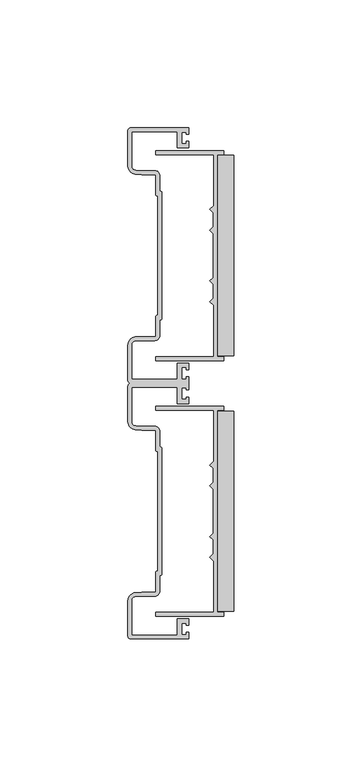
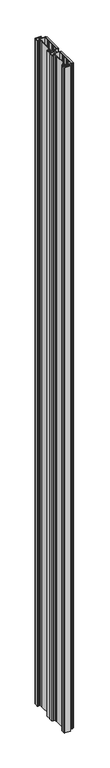
"""IFC4 building model written with IfcOpenShell, lengths in millimetres: proxy geometry."""

from ifc_helpers import new_model, si_unit, frame, origin, origin_with_axes, place, context, project, spatial, polyline, circle_curve, outline, extrude, faceted_brep, source, transform, mapped, element, save
from ifc_brep_helpers import plane_surface, cylinder_surface, revolved_surface, advanced_brep


def specialty_equipment_c0fda36b(model_context):
    return source(origin(), model_context, "Body", "SolidModel", [
        faceted_brep([(13.6393292, 91.0653535, 2743.2), (-13.0348006, 91.0653535, 2743.2), (-13.0348006, 89.5413459, 2743.2), (9.5712006, 89.5413459, 2743.2), (9.5712006, 69.5324019, 2743.2), (8.1107021, 68.0718984, 2743.2), (9.4442006, 66.7384, 2743.2), (9.4442006, 61.2774007, 2743.2), (8.1106995, 59.9438997, 2743.2), (9.4442006, 58.6103987, 2743.2), (9.4442006, 41.4021013, 2743.2), (8.1106995, 40.0686003, 2743.2), (9.4442006, 38.7350993, 2743.2), (9.4442006, 33.2741, 2743.2), (8.1107021, 31.9406016, 2743.2), (9.5712006, 30.4800981, 2743.2), (9.5712006, 10.4711541, 2743.2), (-13.0348006, 10.4711541, 2743.2), (-13.0348006, 8.9471465, 2743.2), (13.6393292, 8.9471465, 2743.2), (13.6393292, 10.4711541, 2743.2), (11.0952006, 10.4711541, 2743.2), (11.0952006, 89.5413459, 2743.2), (13.6393292, 89.5413459, 2743.2), (13.6393292, 91.0653535, 0.0), (13.6393292, 89.5413459, 0.0), (11.0952006, 89.5413459, 0.0), (11.0952006, 10.4711541, 0.0), (13.6393292, 10.4711541, 0.0), (13.6393292, 8.9471465, 0.0), (-13.0348006, 8.9471465, 0.0), (-13.0348006, 10.4711541, 0.0), (9.5712006, 10.4711541, 0.0), (9.5712006, 30.4800981, 0.0), (8.1107021, 31.9406016, 0.0), (9.4442006, 33.2741, 0.0), (9.4442006, 38.7350993, 0.0), (8.1106995, 40.0686003, 0.0), (9.4442006, 41.4021013, 0.0), (9.4442006, 58.6103987, 0.0), (8.1106995, 59.9438997, 0.0), (9.4442006, 61.2774007, 0.0), (9.4442006, 66.7384, 0.0), (8.1107021, 68.0718984, 0.0), (9.5712006, 69.5324019, 0.0), (9.5712006, 89.5413459, 0.0), (-13.0348006, 89.5413459, 0.0), (-13.0348006, 91.0653535, 0.0)], [[[0, 1, 2, 3, 4, 5, 6, 7, 8, 9, 10, 11, 12, 13, 14, 15, 16, 17, 18, 19, 20, 21, 22, 23]], [[24, 25, 26, 27, 28, 29, 30, 31, 32, 33, 34, 35, 36, 37, 38, 39, 40, 41, 42, 43, 44, 45, 46, 47]], [[23, 22, 26, 25]], [[0, 23, 25, 24]], [[1, 0, 24, 47]], [[2, 1, 47, 46]], [[3, 2, 46, 45]], [[4, 3, 45, 44]], [[5, 4, 44, 43]], [[6, 5, 43, 42]], [[7, 6, 42, 41]], [[8, 7, 41, 40]], [[9, 8, 40, 39]], [[10, 9, 39, 38]], [[11, 10, 38, 37]], [[12, 11, 37, 36]], [[13, 12, 36, 35]], [[14, 13, 35, 34]], [[15, 14, 34, 33]], [[16, 15, 33, 32]], [[17, 16, 32, 31]], [[18, 17, 31, 30]], [[19, 18, 30, 29]], [[20, 19, 29, 28]], [[21, 20, 28, 27]], [[22, 21, 27, 26]]]),
        advanced_brep(
        [(-22.7330004, 100.0125, 2743.2), (-24.0029992, 98.7425012, 2743.2), (-24.0029992, 85.0231533, 2743.2), (-20.9941667, 81.8524984, 2743.2), (-18.5165995, 81.7243994, 2743.2), (-13.0047993, 81.7243994, 2743.2), (-13.0047993, 73.8884996, 2743.2), (-12.2428, 73.5074999, 2743.2), (-12.2428, 26.5050001, 2743.2), (-13.0047993, 26.1240004, 2743.2), (-13.0047993, 18.2881006, 2743.2), (-18.5165995, 18.2881006, 2743.2), (-20.9941667, 18.1600016, 2743.2), (-24.0029992, 14.9893467, 2743.2), (-24.0029992, 1.2699988, 2743.2), (-22.7330004, 0.0, 2743.2), (-24.0029992, -1.2699988, 2743.2), (-24.0029992, -14.9893467, 2743.2), (-20.9941667, -18.1600016, 2743.2), (-18.5165995, -18.2881006, 2743.2), (-13.0047993, -18.2881006, 2743.2), (-13.0047993, -26.1240004, 2743.2), (-12.2428, -26.5050001, 2743.2), (-12.2428, -73.5074999, 2743.2), (-13.0047993, -73.8884996, 2743.2), (-13.0047993, -81.7243994, 2743.2), (-18.5165995, -81.7243994, 2743.2), (-20.9941667, -81.8524984, 2743.2), (-24.0029992, -85.0231533, 2743.2), (-24.0029992, -98.7425012, 2743.2), (-22.7330004, -100.0125, 2743.2), (-0.1904992, -100.0125, 2743.2), (-0.1904992, -97.4725024, 2743.2), (-1.1647474, -97.4725024, 2743.2), (-1.1647474, -98.3615016, 2743.2), (-2.9845, -98.3615016, 2743.2), (-2.9845, -93.7929699, 2743.2), (-1.1647474, -93.7929699, 2743.2), (-1.1647474, -94.681969, 2743.2), (-0.1904992, -94.681969, 2743.2), (-0.1904992, -92.1384984, 2743.2), (-4.6354995, -92.1384984, 2743.2), (-4.6354995, -98.4885015, 2743.2), (-22.4790007, -98.4885015, 2743.2), (-22.4790007, -85.0231437, 2743.2), (-20.9144069, -83.3744076, 2743.2), (-18.5099479, -83.2483979, 2743.2), (-13.3857989, -83.2483979, 2743.2), (-11.4807988, -81.3433978, 2743.2), (-11.4807985, -75.0314985, 2743.2), (-10.7187992, -74.6504988, 2743.2), (-10.7187992, -25.3620012, 2743.2), (-11.4807985, -24.9810015, 2743.2), (-11.4807985, -18.6691022, 2743.2), (-13.3857989, -16.7641021, 2743.2), (-18.5099479, -16.7641021, 2743.2), (-20.9144069, -16.6380924, 2743.2), (-22.4790007, -14.9893563, 2743.2), (-22.4790007, -1.5239985, 2743.2), (-4.6354995, -1.5239985, 2743.2), (-4.6354995, -7.8740016, 2743.2), (-0.1904992, -7.8740016, 2743.2), (-0.1904992, -5.330531, 2743.2), (-1.1647474, -5.330531, 2743.2), (-1.1647474, -6.2195301, 2743.2), (-2.9845, -6.2195301, 2743.2), (-2.9845, -1.6509984, 2743.2), (-1.1647474, -1.6509984, 2743.2), (-1.1647474, -2.5399976, 2743.2), (-0.1904992, -2.5399976, 2743.2), (-0.1904992, 2.5399976, 2743.2), (-1.1647474, 2.5399976, 2743.2), (-1.1647474, 1.6509984, 2743.2), (-2.9845, 1.6509984, 2743.2), (-2.9845, 6.2195301, 2743.2), (-1.1647474, 6.2195301, 2743.2), (-1.1647474, 5.330531, 2743.2), (-0.1904992, 5.330531, 2743.2), (-0.1904992, 7.8740016, 2743.2), (-4.6354995, 7.8740016, 2743.2), (-4.6354995, 1.5239985, 2743.2), (-22.4790007, 1.5239985, 2743.2), (-22.4790007, 14.9893563, 2743.2), (-20.9144069, 16.6380924, 2743.2), (-18.5099479, 16.7641021, 2743.2), (-13.3857989, 16.7641021, 2743.2), (-11.4807988, 18.6691022, 2743.2), (-11.4807985, 24.9810015, 2743.2), (-10.7187992, 25.3620012, 2743.2), (-10.7187992, 74.6504988, 2743.2), (-11.4807985, 75.0314985, 2743.2), (-11.4807985, 81.3433978, 2743.2), (-13.3857989, 83.2483979, 2743.2), (-18.5099479, 83.2483979, 2743.2), (-20.9144069, 83.3744076, 2743.2), (-22.4790007, 85.0231437, 2743.2), (-22.4790007, 98.4885015, 2743.2), (-4.6354995, 98.4885015, 2743.2), (-4.6354995, 92.1384984, 2743.2), (-0.1904992, 92.1384984, 2743.2), (-0.1904992, 94.681969, 2743.2), (-1.1647474, 94.681969, 2743.2), (-1.1647474, 93.7929699, 2743.2), (-2.9845, 93.7929699, 2743.2), (-2.9845, 98.3615016, 2743.2), (-1.1647474, 98.3615016, 2743.2), (-1.1647474, 97.4725024, 2743.2), (-0.1904992, 97.4725024, 2743.2), (-0.1904992, 100.0125, 2743.2), (-22.7330004, 100.0125, 0.0), (-0.1904992, 100.0125, 0.0), (-0.1904992, 97.4725024, 0.0), (-1.1647474, 97.4725024, 0.0), (-1.1647474, 98.3615016, 0.0), (-2.9845, 98.3615016, 0.0), (-2.9845, 93.7929699, 0.0), (-1.1647474, 93.7929699, 0.0), (-1.1647474, 94.681969, 0.0), (-0.1904992, 94.681969, 0.0), (-0.1904992, 92.1384984, 0.0), (-4.6354995, 92.1384984, 0.0), (-4.6354995, 98.4885015, 0.0), (-22.4790007, 98.4885015, 0.0), (-22.4790007, 85.0231437, 0.0), (-20.9144069, 83.3744076, 0.0), (-18.5099479, 83.2483979, 0.0), (-13.3857989, 83.2483979, 0.0), (-11.4807988, 81.3433978, 0.0), (-11.4807985, 75.0314985, 0.0), (-10.7187992, 74.6504988, 0.0), (-10.7187992, 25.3620012, 0.0), (-11.4807985, 24.9810015, 0.0), (-11.4807985, 18.6691022, 0.0), (-13.3857989, 16.7641021, 0.0), (-18.5099479, 16.7641021, 0.0), (-20.9144069, 16.6380924, 0.0), (-22.4790007, 14.9893563, 0.0), (-22.4790007, 1.5239985, 0.0), (-4.6354995, 1.5239985, 0.0), (-4.6354995, 7.8740016, 0.0), (-0.1904992, 7.8740016, 0.0), (-0.1904992, 5.330531, 0.0), (-1.1647474, 5.330531, 0.0), (-1.1647474, 6.2195301, 0.0), (-2.9845, 6.2195301, 0.0), (-2.9845, 1.6509984, 0.0), (-1.1647474, 1.6509984, 0.0), (-1.1647474, 2.5399976, 0.0), (-0.1904992, 2.5399976, 0.0), (-0.1904992, -2.5399976, 0.0), (-1.1647474, -2.5399976, 0.0), (-1.1647474, -1.6509984, 0.0), (-2.9845, -1.6509984, 0.0), (-2.9845, -6.2195301, 0.0), (-1.1647474, -6.2195301, 0.0), (-1.1647474, -5.330531, 0.0), (-0.1904992, -5.330531, 0.0), (-0.1904992, -7.8740016, 0.0), (-4.6354995, -7.8740016, 0.0), (-4.6354995, -1.5239985, 0.0), (-22.4790007, -1.5239985, 0.0), (-22.4790007, -14.9893563, 0.0), (-20.9144069, -16.6380924, 0.0), (-18.5099479, -16.7641021, 0.0), (-13.3857989, -16.7641021, 0.0), (-11.4807988, -18.6691022, 0.0), (-11.4807985, -24.9810015, 0.0), (-10.7187992, -25.3620012, 0.0), (-10.7187992, -74.6504988, 0.0), (-11.4807985, -75.0314985, 0.0), (-11.4807985, -81.3433978, 0.0), (-13.3857989, -83.2483979, 0.0), (-18.5099479, -83.2483979, 0.0), (-20.9144069, -83.3744076, 0.0), (-22.4790007, -85.0231437, 0.0), (-22.4790007, -98.4885015, 0.0), (-4.6354995, -98.4885015, 0.0), (-4.6354995, -92.1384984, 0.0), (-0.1904992, -92.1384984, 0.0), (-0.1904992, -94.681969, 0.0), (-1.1647474, -94.681969, 0.0), (-1.1647474, -93.7929699, 0.0), (-2.9845, -93.7929699, 0.0), (-2.9845, -98.3615016, 0.0), (-1.1647474, -98.3615016, 0.0), (-1.1647474, -97.4725024, 0.0), (-0.1904992, -97.4725024, 0.0), (-0.1904992, -100.0125, 0.0), (-22.7330004, -100.0125, 0.0), (-24.0029992, -98.7425012, 0.0), (-24.0029992, -85.0231533, 0.0), (-20.9941667, -81.8524984, 0.0), (-18.5165995, -81.7243994, 0.0), (-13.0047993, -81.7243994, 0.0), (-13.0047993, -73.8884996, 0.0), (-12.2428, -73.5074999, 0.0), (-12.2428, -26.5050001, 0.0), (-13.0047993, -26.1240004, 0.0), (-13.0047993, -18.2881006, 0.0), (-18.5165995, -18.2881006, 0.0), (-20.9941667, -18.1600016, 0.0), (-24.0029992, -14.9893467, 0.0), (-24.0029992, -1.2699988, 0.0), (-22.7330004, 0.0, 0.0), (-24.0029992, 1.2699988, 0.0), (-24.0029992, 14.9893467, 0.0), (-20.9941667, 18.1600016, 0.0), (-18.5165995, 18.2881006, 0.0), (-13.0047993, 18.2881006, 0.0), (-13.0047993, 26.1240004, 0.0), (-12.2428, 26.5050001, 0.0), (-12.2428, 73.5074999, 0.0), (-13.0047993, 73.8884996, 0.0), (-13.0047993, 81.7243994, 0.0), (-18.5165995, 81.7243994, 0.0), (-20.9941667, 81.8524984, 0.0), (-24.0029992, 85.0231533, 0.0), (-24.0029992, 98.7425012, 0.0)],
        [
            (0, 1, circle_curve(frame((-22.7330004, 98.7425012, 2743.2), z_axis=(0.0, 0.0, 1.0), x_axis=(0.0, -1.0, 0.0)), 1.2699988)),
            (1, 2),
            (2, 3, circle_curve(frame((-20.721501, 85.12421, 2743.2), z_axis=(0.0, 0.0, 1.0), x_axis=(0.0, -1.0, 0.0)), 3.283054)),
            (3, 4),
            (4, 5),
            (5, 6),
            (6, 7, circle_curve(frame((-12.5285497, 73.8884996, 2743.2), z_axis=(0.0, 0.0, 1.0), x_axis=(0.0, -1.0, 0.0)), 0.4762495)),
            (7, 8),
            (8, 9, circle_curve(frame((-12.5285497, 26.1240004, 2743.2), z_axis=(0.0, 0.0, 1.0), x_axis=(0.0, -1.0, 0.0)), 0.4762495)),
            (9, 10),
            (10, 11),
            (11, 12),
            (12, 13, circle_curve(frame((-20.721501, 14.88829, 2743.2), z_axis=(0.0, 0.0, 1.0), x_axis=(0.0, -1.0, 0.0)), 3.283054)),
            (13, 14),
            (14, 15, circle_curve(frame((-22.7330004, 1.2699988, 2743.2), z_axis=(0.0, 0.0, 1.0), x_axis=(0.0, -1.0, 0.0)), 1.2699988)),
            (15, 16, circle_curve(frame((-22.7330004, -1.2699988, 2743.2), z_axis=(0.0, 0.0, 1.0), x_axis=(0.0, -1.0, 0.0)), 1.2699988)),
            (16, 17),
            (17, 18, circle_curve(frame((-20.721501, -14.88829, 2743.2), z_axis=(0.0, 0.0, 1.0), x_axis=(0.0, -1.0, 0.0)), 3.283054)),
            (18, 19),
            (19, 20),
            (20, 21),
            (21, 22, circle_curve(frame((-12.5285497, -26.1240004, 2743.2), z_axis=(0.0, 0.0, 1.0), x_axis=(0.0, -1.0, 0.0)), 0.4762495)),
            (22, 23),
            (23, 24, circle_curve(frame((-12.5285497, -73.8884996, 2743.2), z_axis=(0.0, 0.0, 1.0), x_axis=(0.0, -1.0, 0.0)), 0.4762495)),
            (24, 25),
            (25, 26),
            (26, 27),
            (27, 28, circle_curve(frame((-20.721501, -85.12421, 2743.2), z_axis=(0.0, 0.0, 1.0), x_axis=(0.0, -1.0, 0.0)), 3.283054)),
            (28, 29),
            (29, 30, circle_curve(frame((-22.7330004, -98.7425012, 2743.2), z_axis=(0.0, 0.0, 1.0), x_axis=(0.0, -1.0, 0.0)), 1.2699988)),
            (30, 31),
            (31, 32),
            (32, 33),
            (33, 34),
            (34, 35),
            (35, 36),
            (36, 37),
            (37, 38),
            (38, 39),
            (39, 40),
            (40, 41),
            (41, 42),
            (42, 43),
            (43, 44),
            (44, 45, circle_curve(frame((-20.8280021, -85.0231437, 2743.2), z_axis=(0.0, 0.0, -1.0), x_axis=(0.0, -1.0, 0.0)), 1.6509986)),
            (45, 46),
            (46, 47),
            (47, 48, circle_curve(frame((-13.3857989, -81.3433978, 2743.2), z_axis=(0.0, 0.0, 1.0), x_axis=(0.0, -1.0, 0.0)), 1.9050001)),
            (48, 49),
            (49, 50, circle_curve(frame((-11.1950487, -74.6504988, 2743.2), z_axis=(0.0, 0.0, 1.0), x_axis=(0.0, -1.0, 0.0)), 0.4762495)),
            (50, 51),
            (51, 52, circle_curve(frame((-11.1950487, -25.3620012, 2743.2), z_axis=(0.0, 0.0, 1.0), x_axis=(0.0, -1.0, 0.0)), 0.4762495)),
            (52, 53),
            (53, 54, circle_curve(frame((-13.3857989, -18.6691022, 2743.2), z_axis=(0.0, 0.0, 1.0), x_axis=(0.0, -1.0, 0.0)), 1.9050001)),
            (54, 55),
            (55, 56),
            (56, 57, circle_curve(frame((-20.8280021, -14.9893563, 2743.2), z_axis=(0.0, 0.0, -1.0), x_axis=(0.0, -1.0, 0.0)), 1.6509986)),
            (57, 58),
            (58, 59),
            (59, 60),
            (60, 61),
            (61, 62),
            (62, 63),
            (63, 64),
            (64, 65),
            (65, 66),
            (66, 67),
            (67, 68),
            (68, 69),
            (69, 70),
            (70, 71),
            (71, 72),
            (72, 73),
            (73, 74),
            (74, 75),
            (75, 76),
            (76, 77),
            (77, 78),
            (78, 79),
            (79, 80),
            (80, 81),
            (81, 82),
            (82, 83, circle_curve(frame((-20.8280021, 14.9893563, 2743.2), z_axis=(0.0, 0.0, -1.0), x_axis=(0.0, -1.0, 0.0)), 1.6509986)),
            (83, 84),
            (84, 85),
            (85, 86, circle_curve(frame((-13.3857989, 18.6691022, 2743.2), z_axis=(0.0, 0.0, 1.0), x_axis=(0.0, -1.0, 0.0)), 1.9050001)),
            (86, 87),
            (87, 88, circle_curve(frame((-11.1950487, 25.3620012, 2743.2), z_axis=(0.0, 0.0, 1.0), x_axis=(0.0, -1.0, 0.0)), 0.4762495)),
            (88, 89),
            (89, 90, circle_curve(frame((-11.1950487, 74.6504988, 2743.2), z_axis=(0.0, 0.0, 1.0), x_axis=(0.0, -1.0, 0.0)), 0.4762495)),
            (90, 91),
            (91, 92, circle_curve(frame((-13.3857989, 81.3433978, 2743.2), z_axis=(0.0, 0.0, 1.0), x_axis=(0.0, -1.0, 0.0)), 1.9050001)),
            (92, 93),
            (93, 94),
            (94, 95, circle_curve(frame((-20.8280021, 85.0231437, 2743.2), z_axis=(0.0, 0.0, -1.0), x_axis=(0.0, -1.0, 0.0)), 1.6509986)),
            (95, 96),
            (96, 97),
            (97, 98),
            (98, 99),
            (99, 100),
            (100, 101),
            (101, 102),
            (102, 103),
            (103, 104),
            (104, 105),
            (105, 106),
            (106, 107),
            (107, 108),
            (108, 0),
            (109, 110),
            (110, 111),
            (111, 112),
            (112, 113),
            (113, 114),
            (114, 115),
            (115, 116),
            (116, 117),
            (117, 118),
            (118, 119),
            (119, 120),
            (120, 121),
            (121, 122),
            (122, 123),
            (123, 124, circle_curve(frame((-20.8280021, 85.0231437, 0.0), z_axis=(0.0, 0.0, 1.0), x_axis=(0.0, -1.0, 0.0)), 1.6509986)),
            (124, 125),
            (125, 126),
            (126, 127, circle_curve(frame((-13.3857989, 81.3433978, 0.0), z_axis=(0.0, 0.0, -1.0), x_axis=(0.0, -1.0, 0.0)), 1.9050001)),
            (127, 128),
            (128, 129, circle_curve(frame((-11.1950487, 74.6504988, 0.0), z_axis=(0.0, 0.0, -1.0), x_axis=(0.0, -1.0, 0.0)), 0.4762495)),
            (129, 130),
            (130, 131, circle_curve(frame((-11.1950487, 25.3620012, 0.0), z_axis=(0.0, 0.0, -1.0), x_axis=(0.0, -1.0, 0.0)), 0.4762495)),
            (131, 132),
            (132, 133, circle_curve(frame((-13.3857989, 18.6691022, 0.0), z_axis=(0.0, 0.0, -1.0), x_axis=(0.0, -1.0, 0.0)), 1.9050001)),
            (133, 134),
            (134, 135),
            (135, 136, circle_curve(frame((-20.8280021, 14.9893563, 0.0), z_axis=(0.0, 0.0, 1.0), x_axis=(0.0, -1.0, 0.0)), 1.6509986)),
            (136, 137),
            (137, 138),
            (138, 139),
            (139, 140),
            (140, 141),
            (141, 142),
            (142, 143),
            (143, 144),
            (144, 145),
            (145, 146),
            (146, 147),
            (147, 148),
            (148, 149),
            (149, 150),
            (150, 151),
            (151, 152),
            (152, 153),
            (153, 154),
            (154, 155),
            (155, 156),
            (156, 157),
            (157, 158),
            (158, 159),
            (159, 160),
            (160, 161),
            (161, 162, circle_curve(frame((-20.8280021, -14.9893563, 0.0), z_axis=(0.0, 0.0, 1.0), x_axis=(0.0, -1.0, 0.0)), 1.6509986)),
            (162, 163),
            (163, 164),
            (164, 165, circle_curve(frame((-13.3857989, -18.6691022, 0.0), z_axis=(0.0, 0.0, -1.0), x_axis=(0.0, -1.0, 0.0)), 1.9050001)),
            (165, 166),
            (166, 167, circle_curve(frame((-11.1950487, -25.3620012, 0.0), z_axis=(0.0, 0.0, -1.0), x_axis=(0.0, -1.0, 0.0)), 0.4762495)),
            (167, 168),
            (168, 169, circle_curve(frame((-11.1950487, -74.6504988, 0.0), z_axis=(0.0, 0.0, -1.0), x_axis=(0.0, -1.0, 0.0)), 0.4762495)),
            (169, 170),
            (170, 171, circle_curve(frame((-13.3857989, -81.3433978, 0.0), z_axis=(0.0, 0.0, -1.0), x_axis=(0.0, -1.0, 0.0)), 1.9050001)),
            (171, 172),
            (172, 173),
            (173, 174, circle_curve(frame((-20.8280021, -85.0231437, 0.0), z_axis=(0.0, 0.0, 1.0), x_axis=(0.0, -1.0, 0.0)), 1.6509986)),
            (174, 175),
            (175, 176),
            (176, 177),
            (177, 178),
            (178, 179),
            (179, 180),
            (180, 181),
            (181, 182),
            (182, 183),
            (183, 184),
            (184, 185),
            (185, 186),
            (186, 187),
            (187, 188),
            (188, 189, circle_curve(frame((-22.7330004, -98.7425012, 0.0), z_axis=(0.0, 0.0, -1.0), x_axis=(0.0, -1.0, 0.0)), 1.2699988)),
            (189, 190),
            (190, 191, circle_curve(frame((-20.721501, -85.12421, 0.0), z_axis=(0.0, 0.0, -1.0), x_axis=(0.0, -1.0, 0.0)), 3.283054)),
            (191, 192),
            (192, 193),
            (193, 194),
            (194, 195, circle_curve(frame((-12.5285497, -73.8884996, 0.0), z_axis=(0.0, 0.0, -1.0), x_axis=(0.0, -1.0, 0.0)), 0.4762495)),
            (195, 196),
            (196, 197, circle_curve(frame((-12.5285497, -26.1240004, 0.0), z_axis=(0.0, 0.0, -1.0), x_axis=(0.0, -1.0, 0.0)), 0.4762495)),
            (197, 198),
            (198, 199),
            (199, 200),
            (200, 201, circle_curve(frame((-20.721501, -14.88829, 0.0), z_axis=(0.0, 0.0, -1.0), x_axis=(0.0, -1.0, 0.0)), 3.283054)),
            (201, 202),
            (202, 203, circle_curve(frame((-22.7330004, -1.2699988, 0.0), z_axis=(0.0, 0.0, -1.0), x_axis=(0.0, -1.0, 0.0)), 1.2699988)),
            (203, 204, circle_curve(frame((-22.7330004, 1.2699988, 0.0), z_axis=(0.0, 0.0, -1.0), x_axis=(0.0, -1.0, 0.0)), 1.2699988)),
            (204, 205),
            (205, 206, circle_curve(frame((-20.721501, 14.88829, 0.0), z_axis=(0.0, 0.0, -1.0), x_axis=(0.0, -1.0, 0.0)), 3.283054)),
            (206, 207),
            (207, 208),
            (208, 209),
            (209, 210, circle_curve(frame((-12.5285497, 26.1240004, 0.0), z_axis=(0.0, 0.0, -1.0), x_axis=(0.0, -1.0, 0.0)), 0.4762495)),
            (210, 211),
            (211, 212, circle_curve(frame((-12.5285497, 73.8884996, 0.0), z_axis=(0.0, 0.0, -1.0), x_axis=(0.0, -1.0, 0.0)), 0.4762495)),
            (212, 213),
            (213, 214),
            (214, 215),
            (215, 216, circle_curve(frame((-20.721501, 85.12421, 0.0), z_axis=(0.0, 0.0, -1.0), x_axis=(0.0, -1.0, 0.0)), 3.283054)),
            (216, 217),
            (217, 109, circle_curve(frame((-22.7330004, 98.7425012, 0.0), z_axis=(0.0, 0.0, -1.0), x_axis=(0.0, -1.0, 0.0)), 1.2699988)),
            (1, 217),
            (216, 2),
            (108, 110),
            (109, 0),
            (215, 3),
            (214, 4),
            (213, 5),
            (212, 6),
            (211, 7),
            (210, 8),
            (209, 9),
            (208, 10),
            (207, 11),
            (206, 12),
            (205, 13),
            (204, 14),
            (203, 15),
            (69, 149),
            (148, 70),
            (147, 71),
            (146, 72),
            (145, 73),
            (144, 74),
            (143, 75),
            (142, 76),
            (141, 77),
            (140, 78),
            (139, 79),
            (138, 80),
            (137, 81),
            (136, 82),
            (135, 83),
            (134, 84),
            (133, 85),
            (132, 86),
            (131, 87),
            (130, 88),
            (129, 89),
            (128, 90),
            (127, 91),
            (126, 92),
            (125, 93),
            (124, 94),
            (123, 95),
            (122, 96),
            (121, 97),
            (120, 98),
            (119, 99),
            (118, 100),
            (117, 101),
            (116, 102),
            (115, 103),
            (114, 104),
            (113, 105),
            (112, 106),
            (111, 107),
            (202, 16),
            (201, 17),
            (200, 18),
            (199, 19),
            (198, 20),
            (197, 21),
            (196, 22),
            (195, 23),
            (194, 24),
            (193, 25),
            (192, 26),
            (191, 27),
            (190, 28),
            (189, 29),
            (188, 30),
            (187, 31),
            (186, 32),
            (185, 33),
            (184, 34),
            (183, 35),
            (182, 36),
            (181, 37),
            (180, 38),
            (179, 39),
            (178, 40),
            (177, 41),
            (176, 42),
            (175, 43),
            (174, 44),
            (173, 45),
            (172, 46),
            (171, 47),
            (170, 48),
            (169, 49),
            (168, 50),
            (167, 51),
            (166, 52),
            (165, 53),
            (164, 54),
            (163, 55),
            (162, 56),
            (161, 57),
            (160, 58),
            (159, 59),
            (158, 60),
            (157, 61),
            (156, 62),
            (155, 63),
            (154, 64),
            (153, 65),
            (152, 66),
            (151, 67),
            (150, 68),
        ],
        [
            plane_surface(frame((0.0, 50.00625, 2743.2), z_axis=(0.0, 0.0, 1.0), x_axis=(0.0, -1.0, 0.0))),
            plane_surface(frame((0.0, 50.00625, 0.0), z_axis=(0.0, 0.0, -1.0), x_axis=(0.0, -1.0, 0.0))),
            plane_surface(frame((-24.0029992, 98.7425012, 2743.2), z_axis=(-1.0, 0.0, 0.0), x_axis=(0.0, 0.0, -1.0))),
            plane_surface(frame((-0.1904992, 100.0125, 2743.2), z_axis=(0.0, 1.0, 0.0), x_axis=(0.0, 0.0, -1.0))),
            cylinder_surface(frame((-22.7330004, 98.7425012, 2743.2), z_axis=(0.0, 0.0, 1.0), x_axis=(0.0, -1.0, 0.0)), 1.2699988),
            cylinder_surface(frame((-20.721501, 85.12421, 2743.2), z_axis=(0.0, 0.0, 1.0), x_axis=(0.0, -1.0, 0.0)), 3.283054),
            plane_surface(frame((-20.9941667, 81.8524984, 2743.2), z_axis=(-0.05163457587428459, -0.9986660455699307, 0.0), x_axis=(0.0, 0.0, -1.0))),
            plane_surface(frame((-18.5165995, 81.7243994, 2743.2), z_axis=(0.0, -1.0, 0.0), x_axis=(0.0, 0.0, -1.0))),
            plane_surface(frame((-13.0047993, 81.7243994, 2743.2), z_axis=(-1.0, 0.0, 0.0), x_axis=(0.0, 0.0, -1.0))),
            cylinder_surface(frame((-12.5285497, 73.8884996, 2743.2), z_axis=(0.0, 0.0, 1.0), x_axis=(0.0, -1.0, 0.0)), 0.4762495),
            plane_surface(frame((-12.2428, 73.5074999, 2743.2), z_axis=(-1.0, 0.0, 0.0), x_axis=(0.0, 0.0, -1.0))),
            cylinder_surface(frame((-12.5285497, 26.1240004, 2743.2), z_axis=(0.0, 0.0, 1.0), x_axis=(0.0, -1.0, 0.0)), 0.4762495),
            plane_surface(frame((-13.0047993, 26.1240004, 2743.2), z_axis=(-1.0, 0.0, 0.0), x_axis=(0.0, 0.0, -1.0))),
            plane_surface(frame((-13.0047993, 18.2881006, 2743.2), z_axis=(0.0, 1.0, 0.0), x_axis=(0.0, 0.0, -1.0))),
            plane_surface(frame((-18.5165995, 18.2881006, 2743.2), z_axis=(-0.05163457587428459, 0.9986660455699307, 0.0), x_axis=(0.0, 0.0, -1.0))),
            cylinder_surface(frame((-20.721501, 14.88829, 2743.2), z_axis=(0.0, 0.0, 1.0), x_axis=(0.0, -1.0, 0.0)), 3.283054),
            plane_surface(frame((-24.0029992, 14.9893467, 2743.2), z_axis=(-1.0, 0.0, 0.0), x_axis=(0.0, 0.0, -1.0))),
            cylinder_surface(frame((-22.7330004, 1.2699988, 2743.2), z_axis=(0.0, 0.0, 1.0), x_axis=(0.0, -1.0, 0.0)), 1.2699988),
            plane_surface(frame((-0.1904992, 0.0, 2743.2), z_axis=(1.0, 0.0, 0.0), x_axis=(0.0, 0.0, -1.0))),
            plane_surface(frame((-0.1904992, 2.5399976, 2743.2), z_axis=(0.0, 1.0, 0.0), x_axis=(0.0, 0.0, -1.0))),
            plane_surface(frame((-1.1647474, 2.5399976, 2743.2), z_axis=(-1.0, 0.0, 0.0), x_axis=(0.0, 0.0, -1.0))),
            plane_surface(frame((-1.1647474, 1.6509984, 2743.2), z_axis=(0.0, 1.0, 0.0), x_axis=(0.0, 0.0, -1.0))),
            plane_surface(frame((-2.9845, 1.6509984, 2743.2), z_axis=(1.0, 0.0, 0.0), x_axis=(0.0, 0.0, -1.0))),
            plane_surface(frame((-2.9845, 6.2195301, 2743.2), z_axis=(0.0, -1.0, 0.0), x_axis=(0.0, 0.0, -1.0))),
            plane_surface(frame((-1.1647474, 6.2195301, 2743.2), z_axis=(-1.0, 0.0, 0.0), x_axis=(0.0, 0.0, -1.0))),
            plane_surface(frame((-1.1647474, 5.330531, 2743.2), z_axis=(0.0, -1.0, 0.0), x_axis=(0.0, 0.0, -1.0))),
            plane_surface(frame((-0.1904992, 5.330531, 2743.2), z_axis=(1.0, 0.0, 0.0), x_axis=(0.0, 0.0, -1.0))),
            plane_surface(frame((-0.1904992, 7.8740016, 2743.2), z_axis=(0.0, 1.0, 0.0), x_axis=(0.0, 0.0, -1.0))),
            plane_surface(frame((-4.6354995, 7.8740016, 2743.2), z_axis=(-1.0, 0.0, 0.0), x_axis=(0.0, 0.0, -1.0))),
            plane_surface(frame((-4.6354995, 1.5239985, 2743.2), z_axis=(0.0, 1.0, 0.0), x_axis=(0.0, 0.0, -1.0))),
            plane_surface(frame((-22.4790007, 1.5239985, 2743.2), z_axis=(1.0, 0.0, 0.0), x_axis=(0.0, 0.0, -1.0))),
            revolved_surface(polyline([(-20.8280021, 13.338357700000001, 0.0), (-20.8280021, 13.338357700000001, 2743.2)]), (-20.8280021, 14.9893563, 2743.2), (0.0, 0.0, -1.0)),
            plane_surface(frame((-20.9144069, 16.6380924, 2743.2), z_axis=(0.0523348773153234, -0.9986295912981901, 0.0), x_axis=(0.0, 0.0, -1.0))),
            plane_surface(frame((-18.5099479, 16.7641021, 2743.2), z_axis=(0.0, -1.0, 0.0), x_axis=(0.0, 0.0, -1.0))),
            cylinder_surface(frame((-13.3857989, 18.6691022, 2743.2), z_axis=(0.0, 0.0, 1.0), x_axis=(0.0, -1.0, 0.0)), 1.9050001),
            plane_surface(frame((-11.4807985, 18.6691022, 2743.2), z_axis=(1.0, 0.0, 0.0), x_axis=(0.0, 0.0, -1.0))),
            cylinder_surface(frame((-11.1950487, 25.3620012, 2743.2), z_axis=(0.0, 0.0, 1.0), x_axis=(0.0, -1.0, 0.0)), 0.4762495),
            plane_surface(frame((-10.7187992, 25.3620012, 2743.2), z_axis=(1.0, 0.0, 0.0), x_axis=(0.0, 0.0, -1.0))),
            cylinder_surface(frame((-11.1950487, 74.6504988, 2743.2), z_axis=(0.0, 0.0, 1.0), x_axis=(0.0, -1.0, 0.0)), 0.4762495),
            plane_surface(frame((-11.4807985, 75.0314985, 2743.2), z_axis=(1.0, 0.0, 0.0), x_axis=(0.0, 0.0, -1.0))),
            cylinder_surface(frame((-13.3857989, 81.3433978, 2743.2), z_axis=(0.0, 0.0, 1.0), x_axis=(0.0, -1.0, 0.0)), 1.9050001),
            plane_surface(frame((-13.3857989, 83.2483979, 2743.2), z_axis=(0.0, 1.0, 0.0), x_axis=(0.0, 0.0, -1.0))),
            plane_surface(frame((-18.5099479, 83.2483979, 2743.2), z_axis=(0.0523348773153234, 0.9986295912981901, 0.0), x_axis=(0.0, 0.0, -1.0))),
            revolved_surface(polyline([(-20.8280021, 83.37214510000001, 0.0), (-20.8280021, 83.37214510000001, 2743.2)]), (-20.8280021, 85.0231437, 2743.2), (0.0, 0.0, -1.0)),
            plane_surface(frame((-22.4790007, 85.0231437, 2743.2), z_axis=(1.0, 0.0, 0.0), x_axis=(0.0, 0.0, -1.0))),
            plane_surface(frame((-22.4790007, 98.4885015, 2743.2), z_axis=(0.0, -1.0, 0.0), x_axis=(0.0, 0.0, -1.0))),
            plane_surface(frame((-4.6354995, 98.4885015, 2743.2), z_axis=(-1.0, 0.0, 0.0), x_axis=(0.0, 0.0, -1.0))),
            plane_surface(frame((-4.6354995, 92.1384984, 2743.2), z_axis=(0.0, -1.0, 0.0), x_axis=(0.0, 0.0, -1.0))),
            plane_surface(frame((-0.1904992, 92.1384984, 2743.2), z_axis=(1.0, 0.0, 0.0), x_axis=(0.0, 0.0, -1.0))),
            plane_surface(frame((-0.1904992, 94.681969, 2743.2), z_axis=(0.0, 1.0, 0.0), x_axis=(0.0, 0.0, -1.0))),
            plane_surface(frame((-1.1647474, 94.681969, 2743.2), z_axis=(-1.0, 0.0, 0.0), x_axis=(0.0, 0.0, -1.0))),
            plane_surface(frame((-1.1647474, 93.7929699, 2743.2), z_axis=(0.0, 1.0, 0.0), x_axis=(0.0, 0.0, -1.0))),
            plane_surface(frame((-2.9845, 93.7929699, 2743.2), z_axis=(1.0, 0.0, 0.0), x_axis=(0.0, 0.0, -1.0))),
            plane_surface(frame((-2.9845, 98.3615016, 2743.2), z_axis=(0.0, -1.0, 0.0), x_axis=(0.0, 0.0, -1.0))),
            plane_surface(frame((-1.1647474, 98.3615016, 2743.2), z_axis=(-1.0, 0.0, 0.0), x_axis=(0.0, 0.0, -1.0))),
            plane_surface(frame((-1.1647474, 97.4725024, 2743.2), z_axis=(0.0, -1.0, 0.0), x_axis=(0.0, 0.0, -1.0))),
            plane_surface(frame((-0.1904992, 97.4725024, 2743.2), z_axis=(1.0, 0.0, 0.0), x_axis=(0.0, 0.0, -1.0))),
            cylinder_surface(frame((-22.7330004, -1.2699988, 2743.2), z_axis=(0.0, 0.0, 1.0), x_axis=(0.0, -1.0, 0.0)), 1.2699988),
            plane_surface(frame((-24.0029992, -1.2699988, 2743.2), z_axis=(-1.0, 0.0, 0.0), x_axis=(0.0, 0.0, -1.0))),
            cylinder_surface(frame((-20.721501, -14.88829, 2743.2), z_axis=(0.0, 0.0, 1.0), x_axis=(0.0, -1.0, 0.0)), 3.283054),
            plane_surface(frame((-20.9941667, -18.1600016, 2743.2), z_axis=(-0.05163457587428459, -0.9986660455699307, 0.0), x_axis=(0.0, 0.0, -1.0))),
            plane_surface(frame((-18.5165995, -18.2881006, 2743.2), z_axis=(0.0, -1.0, 0.0), x_axis=(0.0, 0.0, -1.0))),
            plane_surface(frame((-13.0047993, -18.2881006, 2743.2), z_axis=(-1.0, 0.0, 0.0), x_axis=(0.0, 0.0, -1.0))),
            cylinder_surface(frame((-12.5285497, -26.1240004, 2743.2), z_axis=(0.0, 0.0, 1.0), x_axis=(0.0, -1.0, 0.0)), 0.4762495),
            plane_surface(frame((-12.2428, -26.5050001, 2743.2), z_axis=(-1.0, 0.0, 0.0), x_axis=(0.0, 0.0, -1.0))),
            cylinder_surface(frame((-12.5285497, -73.8884996, 2743.2), z_axis=(0.0, 0.0, 1.0), x_axis=(0.0, -1.0, 0.0)), 0.4762495),
            plane_surface(frame((-13.0047993, -73.8884996, 2743.2), z_axis=(-1.0, 0.0, 0.0), x_axis=(0.0, 0.0, -1.0))),
            plane_surface(frame((-13.0047993, -81.7243994, 2743.2), z_axis=(0.0, 1.0, 0.0), x_axis=(0.0, 0.0, -1.0))),
            plane_surface(frame((-18.5165995, -81.7243994, 2743.2), z_axis=(-0.05163457587428459, 0.9986660455699307, 0.0), x_axis=(0.0, 0.0, -1.0))),
            cylinder_surface(frame((-20.721501, -85.12421, 2743.2), z_axis=(0.0, 0.0, 1.0), x_axis=(0.0, -1.0, 0.0)), 3.283054),
            plane_surface(frame((-24.0029992, -85.0231533, 2743.2), z_axis=(-1.0, 0.0, 0.0), x_axis=(0.0, 0.0, -1.0))),
            cylinder_surface(frame((-22.7330004, -98.7425012, 2743.2), z_axis=(0.0, 0.0, 1.0), x_axis=(0.0, -1.0, 0.0)), 1.2699988),
            plane_surface(frame((-22.7330004, -100.0125, 2743.2), z_axis=(0.0, -1.0, 0.0), x_axis=(0.0, 0.0, -1.0))),
            plane_surface(frame((-0.1904992, -100.0125, 2743.2), z_axis=(1.0, 0.0, 0.0), x_axis=(0.0, 0.0, -1.0))),
            plane_surface(frame((-0.1904992, -97.4725024, 2743.2), z_axis=(0.0, 1.0, 0.0), x_axis=(0.0, 0.0, -1.0))),
            plane_surface(frame((-1.1647474, -97.4725024, 2743.2), z_axis=(-1.0, 0.0, 0.0), x_axis=(0.0, 0.0, -1.0))),
            plane_surface(frame((-1.1647474, -98.3615016, 2743.2), z_axis=(0.0, 1.0, 0.0), x_axis=(0.0, 0.0, -1.0))),
            plane_surface(frame((-2.9845, -98.3615016, 2743.2), z_axis=(1.0, 0.0, 0.0), x_axis=(0.0, 0.0, -1.0))),
            plane_surface(frame((-2.9845, -93.7929699, 2743.2), z_axis=(0.0, -1.0, 0.0), x_axis=(0.0, 0.0, -1.0))),
            plane_surface(frame((-1.1647474, -93.7929699, 2743.2), z_axis=(-1.0, 0.0, 0.0), x_axis=(0.0, 0.0, -1.0))),
            plane_surface(frame((-1.1647474, -94.681969, 2743.2), z_axis=(0.0, -1.0, 0.0), x_axis=(0.0, 0.0, -1.0))),
            plane_surface(frame((-0.1904992, -94.681969, 2743.2), z_axis=(1.0, 0.0, 0.0), x_axis=(0.0, 0.0, -1.0))),
            plane_surface(frame((-0.1904992, -92.1384984, 2743.2), z_axis=(0.0, 1.0, 0.0), x_axis=(0.0, 0.0, -1.0))),
            plane_surface(frame((-4.6354995, -92.1384984, 2743.2), z_axis=(-1.0, 0.0, 0.0), x_axis=(0.0, 0.0, -1.0))),
            plane_surface(frame((-4.6354995, -98.4885015, 2743.2), z_axis=(0.0, 1.0, 0.0), x_axis=(0.0, 0.0, -1.0))),
            plane_surface(frame((-22.4790007, -98.4885015, 2743.2), z_axis=(1.0, 0.0, 0.0), x_axis=(0.0, 0.0, -1.0))),
            revolved_surface(polyline([(-20.8280021, -86.6741423, 0.0), (-20.8280021, -86.6741423, 2743.2)]), (-20.8280021, -85.0231437, 2743.2), (0.0, 0.0, -1.0)),
            plane_surface(frame((-20.9144069, -83.3744076, 2743.2), z_axis=(0.0523348773153234, -0.9986295912981901, 0.0), x_axis=(0.0, 0.0, -1.0))),
            plane_surface(frame((-18.5099479, -83.2483979, 2743.2), z_axis=(0.0, -1.0, 0.0), x_axis=(0.0, 0.0, -1.0))),
            cylinder_surface(frame((-13.3857989, -81.3433978, 2743.2), z_axis=(0.0, 0.0, 1.0), x_axis=(0.0, -1.0, 0.0)), 1.9050001),
            plane_surface(frame((-11.4807985, -81.3433978, 2743.2), z_axis=(1.0, 0.0, 0.0), x_axis=(0.0, 0.0, -1.0))),
            cylinder_surface(frame((-11.1950487, -74.6504988, 2743.2), z_axis=(0.0, 0.0, 1.0), x_axis=(0.0, -1.0, 0.0)), 0.4762495),
            plane_surface(frame((-10.7187992, -74.6504988, 2743.2), z_axis=(1.0, 0.0, 0.0), x_axis=(0.0, 0.0, -1.0))),
            cylinder_surface(frame((-11.1950487, -25.3620012, 2743.2), z_axis=(0.0, 0.0, 1.0), x_axis=(0.0, -1.0, 0.0)), 0.4762495),
            plane_surface(frame((-11.4807985, -24.9810015, 2743.2), z_axis=(1.0, 0.0, 0.0), x_axis=(0.0, 0.0, -1.0))),
            cylinder_surface(frame((-13.3857989, -18.6691022, 2743.2), z_axis=(0.0, 0.0, 1.0), x_axis=(0.0, -1.0, 0.0)), 1.9050001),
            plane_surface(frame((-13.3857989, -16.7641021, 2743.2), z_axis=(0.0, 1.0, 0.0), x_axis=(0.0, 0.0, -1.0))),
            plane_surface(frame((-18.5099479, -16.7641021, 2743.2), z_axis=(0.0523348773153234, 0.9986295912981901, 0.0), x_axis=(0.0, 0.0, -1.0))),
            revolved_surface(polyline([(-20.8280021, -16.640354900000002, 0.0), (-20.8280021, -16.640354900000002, 2743.2)]), (-20.8280021, -14.9893563, 2743.2), (0.0, 0.0, -1.0)),
            plane_surface(frame((-22.4790007, -14.9893563, 2743.2), z_axis=(1.0, 0.0, 0.0), x_axis=(0.0, 0.0, -1.0))),
            plane_surface(frame((-22.4790007, -1.5239985, 2743.2), z_axis=(0.0, -1.0, 0.0), x_axis=(0.0, 0.0, -1.0))),
            plane_surface(frame((-4.6354995, -1.5239985, 2743.2), z_axis=(-1.0, 0.0, 0.0), x_axis=(0.0, 0.0, -1.0))),
            plane_surface(frame((-4.6354995, -7.8740016, 2743.2), z_axis=(0.0, -1.0, 0.0), x_axis=(0.0, 0.0, -1.0))),
            plane_surface(frame((-0.1904992, -7.8740016, 2743.2), z_axis=(1.0, 0.0, 0.0), x_axis=(0.0, 0.0, -1.0))),
            plane_surface(frame((-0.1904992, -5.330531, 2743.2), z_axis=(0.0, 1.0, 0.0), x_axis=(0.0, 0.0, -1.0))),
            plane_surface(frame((-1.1647474, -5.330531, 2743.2), z_axis=(-1.0, 0.0, 0.0), x_axis=(0.0, 0.0, -1.0))),
            plane_surface(frame((-1.1647474, -6.2195301, 2743.2), z_axis=(0.0, 1.0, 0.0), x_axis=(0.0, 0.0, -1.0))),
            plane_surface(frame((-2.9845, -6.2195301, 2743.2), z_axis=(1.0, 0.0, 0.0), x_axis=(0.0, 0.0, -1.0))),
            plane_surface(frame((-2.9845, -1.6509984, 2743.2), z_axis=(0.0, -1.0, 0.0), x_axis=(0.0, 0.0, -1.0))),
            plane_surface(frame((-1.1647474, -1.6509984, 2743.2), z_axis=(-1.0, 0.0, 0.0), x_axis=(0.0, 0.0, -1.0))),
            plane_surface(frame((-1.1647474, -2.5399976, 2743.2), z_axis=(0.0, -1.0, 0.0), x_axis=(0.0, 0.0, -1.0))),
        ],
        [
            (0, [[1, 2, 3, 4, 5, 6, 7, 8, 9, 10, 11, 12, 13, 14, 15, 16, 17, 18, 19, 20, 21, 22, 23, 24, 25, 26, 27, 28, 29, 30, 31, 32, 33, 34, 35, 36, 37, 38, 39, 40, 41, 42, 43, 44, 45, 46, 47, 48, 49, 50, 51, 52, 53, 54, 55, 56, 57, 58, 59, 60, 61, 62, 63, 64, 65, 66, 67, 68, 69, 70, 71, 72, 73, 74, 75, 76, 77, 78, 79, 80, 81, 82, 83, 84, 85, 86, 87, 88, 89, 90, 91, 92, 93, 94, 95, 96, 97, 98, 99, 100, 101, 102, 103, 104, 105, 106, 107, 108, 109]]),
            (1, [[110, 111, 112, 113, 114, 115, 116, 117, 118, 119, 120, 121, 122, 123, 124, 125, 126, 127, 128, 129, 130, 131, 132, 133, 134, 135, 136, 137, 138, 139, 140, 141, 142, 143, 144, 145, 146, 147, 148, 149, 150, 151, 152, 153, 154, 155, 156, 157, 158, 159, 160, 161, 162, 163, 164, 165, 166, 167, 168, 169, 170, 171, 172, 173, 174, 175, 176, 177, 178, 179, 180, 181, 182, 183, 184, 185, 186, 187, 188, 189, 190, 191, 192, 193, 194, 195, 196, 197, 198, 199, 200, 201, 202, 203, 204, 205, 206, 207, 208, 209, 210, 211, 212, 213, 214, 215, 216, 217, 218]]),
            (2, [[-2, 219, -217, 220]]),
            (3, [[-109, 221, -110, 222]]),
            (4, [[-1, -222, -218, -219]]),
            (5, [[-3, -220, -216, 223]]),
            (6, [[-4, -223, -215, 224]]),
            (7, [[-5, -224, -214, 225]]),
            (8, [[-6, -225, -213, 226]]),
            (9, [[-7, -226, -212, 227]]),
            (10, [[-8, -227, -211, 228]]),
            (11, [[-9, -228, -210, 229]]),
            (12, [[-10, -229, -209, 230]]),
            (13, [[-11, -230, -208, 231]]),
            (14, [[-12, -231, -207, 232]]),
            (15, [[-13, -232, -206, 233]]),
            (16, [[-14, -233, -205, 234]]),
            (17, [[-15, -234, -204, 235]]),
            (18, [[236, -149, 237, -70]]),
            (19, [[-71, -237, -148, 238]]),
            (20, [[-72, -238, -147, 239]]),
            (21, [[-73, -239, -146, 240]]),
            (22, [[-74, -240, -145, 241]]),
            (23, [[-75, -241, -144, 242]]),
            (24, [[-76, -242, -143, 243]]),
            (25, [[-77, -243, -142, 244]]),
            (26, [[-78, -244, -141, 245]]),
            (27, [[-79, -245, -140, 246]]),
            (28, [[-80, -246, -139, 247]]),
            (29, [[-81, -247, -138, 248]]),
            (30, [[-82, -248, -137, 249]]),
            (31, [[-83, -249, -136, 250]]),
            (32, [[-84, -250, -135, 251]]),
            (33, [[-85, -251, -134, 252]]),
            (34, [[-86, -252, -133, 253]]),
            (35, [[-87, -253, -132, 254]]),
            (36, [[-88, -254, -131, 255]]),
            (37, [[-89, -255, -130, 256]]),
            (38, [[-90, -256, -129, 257]]),
            (39, [[-91, -257, -128, 258]]),
            (40, [[-92, -258, -127, 259]]),
            (41, [[-93, -259, -126, 260]]),
            (42, [[-94, -260, -125, 261]]),
            (43, [[-95, -261, -124, 262]]),
            (44, [[-96, -262, -123, 263]]),
            (45, [[-97, -263, -122, 264]]),
            (46, [[-98, -264, -121, 265]]),
            (47, [[-99, -265, -120, 266]]),
            (48, [[-100, -266, -119, 267]]),
            (49, [[-101, -267, -118, 268]]),
            (50, [[-102, -268, -117, 269]]),
            (51, [[-103, -269, -116, 270]]),
            (52, [[-104, -270, -115, 271]]),
            (53, [[-105, -271, -114, 272]]),
            (54, [[-106, -272, -113, 273]]),
            (55, [[-107, -273, -112, 274]]),
            (56, [[-108, -274, -111, -221]]),
            (57, [[-16, -235, -203, 275]]),
            (58, [[-17, -275, -202, 276]]),
            (59, [[-18, -276, -201, 277]]),
            (60, [[-19, -277, -200, 278]]),
            (61, [[-20, -278, -199, 279]]),
            (62, [[-21, -279, -198, 280]]),
            (63, [[-22, -280, -197, 281]]),
            (64, [[-23, -281, -196, 282]]),
            (65, [[-24, -282, -195, 283]]),
            (66, [[-25, -283, -194, 284]]),
            (67, [[-26, -284, -193, 285]]),
            (68, [[-27, -285, -192, 286]]),
            (69, [[-28, -286, -191, 287]]),
            (70, [[-29, -287, -190, 288]]),
            (71, [[-30, -288, -189, 289]]),
            (72, [[-31, -289, -188, 290]]),
            (73, [[-32, -290, -187, 291]]),
            (74, [[-33, -291, -186, 292]]),
            (75, [[-34, -292, -185, 293]]),
            (76, [[-35, -293, -184, 294]]),
            (77, [[-36, -294, -183, 295]]),
            (78, [[-37, -295, -182, 296]]),
            (79, [[-38, -296, -181, 297]]),
            (80, [[-39, -297, -180, 298]]),
            (81, [[-40, -298, -179, 299]]),
            (82, [[-41, -299, -178, 300]]),
            (83, [[-42, -300, -177, 301]]),
            (84, [[-43, -301, -176, 302]]),
            (85, [[-44, -302, -175, 303]]),
            (86, [[-45, -303, -174, 304]]),
            (87, [[-46, -304, -173, 305]]),
            (88, [[-47, -305, -172, 306]]),
            (89, [[-48, -306, -171, 307]]),
            (90, [[-49, -307, -170, 308]]),
            (91, [[-50, -308, -169, 309]]),
            (92, [[-51, -309, -168, 310]]),
            (93, [[-52, -310, -167, 311]]),
            (94, [[-53, -311, -166, 312]]),
            (95, [[-54, -312, -165, 313]]),
            (96, [[-55, -313, -164, 314]]),
            (97, [[-56, -314, -163, 315]]),
            (98, [[-57, -315, -162, 316]]),
            (99, [[-58, -316, -161, 317]]),
            (100, [[-59, -317, -160, 318]]),
            (101, [[-60, -318, -159, 319]]),
            (102, [[-61, -319, -158, 320]]),
            (103, [[-62, -320, -157, 321]]),
            (104, [[-63, -321, -156, 322]]),
            (105, [[-64, -322, -155, 323]]),
            (106, [[-65, -323, -154, 324]]),
            (107, [[-66, -324, -153, 325]]),
            (108, [[-67, -325, -152, 326]]),
            (109, [[-68, -326, -151, 327]]),
            (110, [[-69, -327, -150, -236]]),
        ],
    ),
        faceted_brep([(13.6393292, -91.0653535, 2743.2), (13.6393292, -89.5413459, 2743.2), (11.0952006, -89.5413459, 2743.2), (11.0952006, -10.4711541, 2743.2), (13.6393292, -10.4711541, 2743.2), (13.6393292, -8.9471465, 2743.2), (-13.0348006, -8.9471465, 2743.2), (-13.0348006, -10.4711541, 2743.2), (9.5712006, -10.4711541, 2743.2), (9.5712006, -30.4800981, 2743.2), (8.1107021, -31.9406016, 2743.2), (9.4442006, -33.2741, 2743.2), (9.4442006, -38.7350993, 2743.2), (8.1106995, -40.0686003, 2743.2), (9.4442006, -41.4021013, 2743.2), (9.4442006, -58.6103987, 2743.2), (8.1106995, -59.9438997, 2743.2), (9.4442006, -61.2774007, 2743.2), (9.4442006, -66.7384, 2743.2), (8.1107021, -68.0718984, 2743.2), (9.5712006, -69.5324019, 2743.2), (9.5712006, -89.5413459, 2743.2), (-13.0348006, -89.5413459, 2743.2), (-13.0348006, -91.0653535, 2743.2), (13.6393292, -91.0653535, 0.0), (-13.0348006, -91.0653535, 0.0), (-13.0348006, -89.5413459, 0.0), (9.5712006, -89.5413459, 0.0), (9.5712006, -69.5324019, 0.0), (8.1107021, -68.0718984, 0.0), (9.4442006, -66.7384, 0.0), (9.4442006, -61.2774007, 0.0), (8.1106995, -59.9438997, 0.0), (9.4442006, -58.6103987, 0.0), (9.4442006, -41.4021013, 0.0), (8.1106995, -40.0686003, 0.0), (9.4442006, -38.7350993, 0.0), (9.4442006, -33.2741, 0.0), (8.1107021, -31.9406016, 0.0), (9.5712006, -30.4800981, 0.0), (9.5712006, -10.4711541, 0.0), (-13.0348006, -10.4711541, 0.0), (-13.0348006, -8.9471465, 0.0), (13.6393292, -8.9471465, 0.0), (13.6393292, -10.4711541, 0.0), (11.0952006, -10.4711541, 0.0), (11.0952006, -89.5413459, 0.0), (13.6393292, -89.5413459, 0.0)], [[[0, 1, 2, 3, 4, 5, 6, 7, 8, 9, 10, 11, 12, 13, 14, 15, 16, 17, 18, 19, 20, 21, 22, 23]], [[24, 25, 26, 27, 28, 29, 30, 31, 32, 33, 34, 35, 36, 37, 38, 39, 40, 41, 42, 43, 44, 45, 46, 47]], [[1, 0, 24, 47]], [[2, 1, 47, 46]], [[3, 2, 46, 45]], [[4, 3, 45, 44]], [[5, 4, 44, 43]], [[6, 5, 43, 42]], [[7, 6, 42, 41]], [[8, 7, 41, 40]], [[9, 8, 40, 39]], [[10, 9, 39, 38]], [[11, 10, 38, 37]], [[12, 11, 37, 36]], [[13, 12, 36, 35]], [[14, 13, 35, 34]], [[15, 14, 34, 33]], [[16, 15, 33, 32]], [[17, 16, 32, 31]], [[18, 17, 31, 30]], [[19, 18, 30, 29]], [[20, 19, 29, 28]], [[21, 20, 28, 27]], [[22, 21, 27, 26]], [[23, 22, 26, 25]], [[0, 23, 25, 24]]]),
        extrude(outline(polyline([(17.4452004, -89.1857518), (11.0952006, -89.1857518), (11.0952006, -10.8267482), (17.4452004, -10.8267482), (17.4452004, -89.1857518)])), origin_with_axes(), (0.0, 0.0, 1.0), 2743.2),
        extrude(outline(polyline([(17.4452004, 89.1857518), (17.4452004, 10.8267482), (11.0952006, 10.8267482), (11.0952006, 89.1857518), (17.4452004, 89.1857518)])), origin_with_axes(), (0.0, 0.0, 1.0), 2743.2),
    ])


if __name__ == "__main__":
    model = new_model("IFC4")
    model_context = context("Model", 3, world=origin())
    ifc_project = project(units=[si_unit("LENGTHUNIT", "METRE", prefix="MILLI")], contexts=[model_context])
    site = spatial("IfcSite", under=ifc_project)
    building = spatial("IfcBuilding", under=site)
    placement = place(None, origin())
    specialty_equipment_shape = specialty_equipment_c0fda36b(model_context)
    element("IfcBuildingElementProxy", 1, Name="Specialty Equipment", at=placement, inside=building, context=model_context, shape_type="MappedRepresentation", body=[
        mapped(specialty_equipment_shape, transform((0.0, 0.0, 0.0), x_axis=(1.0, 0.0, 0.0), y_axis=(0.0, 1.0, 0.0), z_axis=(0.0, 0.0, 1.0))),
    ])
    save(model, "model.ifc")
